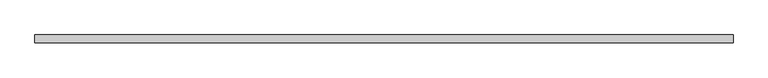
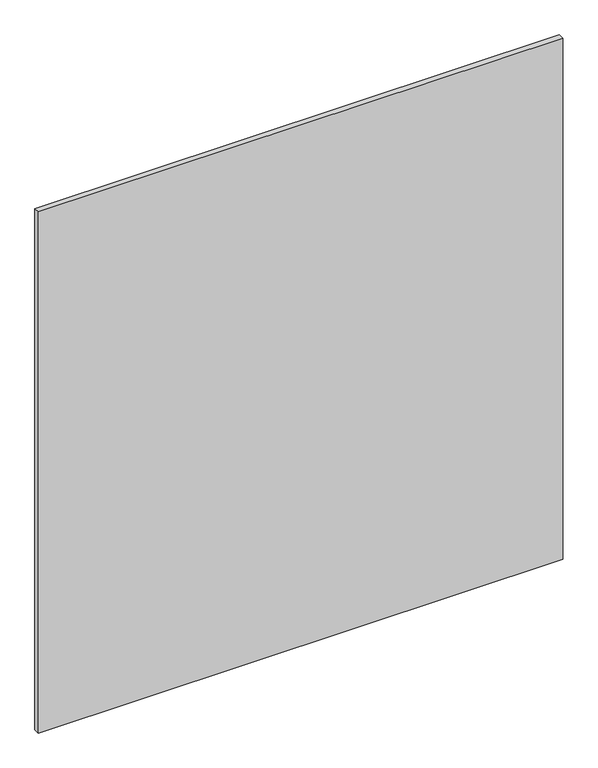
"""IFC4 building model written with IfcOpenShell, lengths in millimetres: plate geometry."""

from ifc_helpers import new_model, si_unit, origin, origin_with_axes, place, context, project, spatial, polyline, outline, extrude, source, transform, mapped, element, save


def plate_97c862a0(model_context):
    return source(origin(), model_context, "Body", "SweptSolid", [
        extrude(outline(polyline([(616.6, -40.2), (-616.6, -40.2), (-616.6, -26.2), (616.6, -26.2), (616.6, -40.2)])), origin_with_axes(), (0.0, 0.0, 1.0), 1295.5),
    ])


if __name__ == "__main__":
    model = new_model("IFC4")
    model_context = context("Model", 3, world=origin())
    ifc_project = project(units=[si_unit("LENGTHUNIT", "METRE", prefix="MILLI")], contexts=[model_context])
    site = spatial("IfcSite", under=ifc_project)
    building = spatial("IfcBuilding", under=site)
    placement = place(None, origin())
    plate_shape = plate_97c862a0(model_context)
    element("IfcPlate", 1, at=placement, inside=building, context=model_context, shape_type="MappedRepresentation", body=[
        mapped(plate_shape, transform((0.0, 0.0, 0.0), x_axis=(1.0, 0.0, 0.0), y_axis=(0.0, 1.0, 0.0), z_axis=(0.0, 0.0, 1.0))),
    ])
    save(model, "model.ifc")
